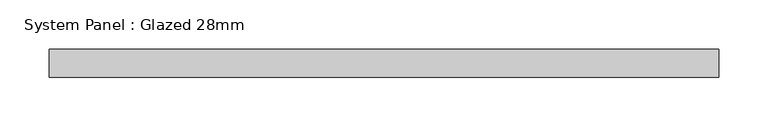
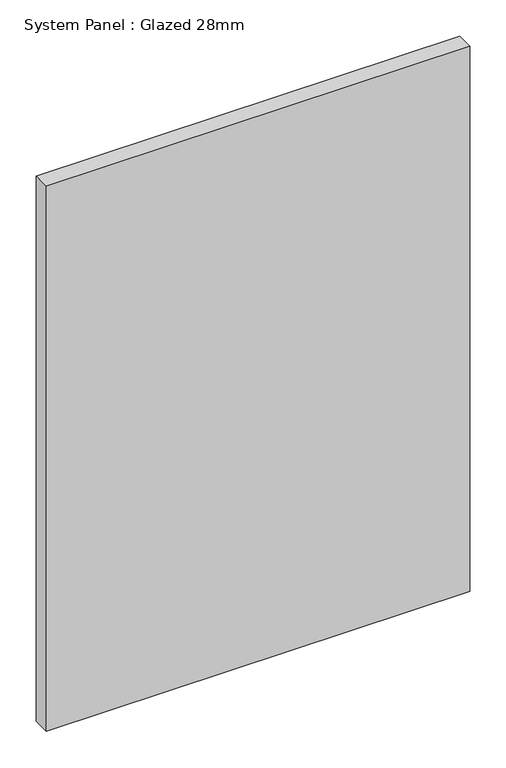
"""IFC4 building model written with IfcOpenShell, lengths in millimetres: plate geometry, System Panel : Glazed 28mm."""

from ifc_helpers import new_model, si_unit, origin, origin_with_axes, place, context, project, spatial, polyline, outline, extrude, source, transform, mapped, element, save


def system_panel_glazed_28mm_ad71332a(model_context):
    return source(origin(), model_context, "Body", "SweptSolid", [
        extrude(outline(polyline([(337.957623, -14.0), (-337.957623, -14.0), (-337.957623, 14.0), (337.957623, 14.0), (337.957623, -14.0)])), origin_with_axes(), (0.0, 0.0, 1.0), 920.6624174),
    ])


if __name__ == "__main__":
    model = new_model("IFC4")
    model_context = context("Model", 3, world=origin())
    ifc_project = project(units=[si_unit("LENGTHUNIT", "METRE", prefix="MILLI")], contexts=[model_context])
    site = spatial("IfcSite", under=ifc_project)
    building = spatial("IfcBuilding", under=site)
    placement = place(None, origin())
    system_panel_glazed_28mm_shape = system_panel_glazed_28mm_ad71332a(model_context)
    element("IfcPlate", 1, ObjectType="System Panel : Glazed 28mm", at=placement, inside=building, context=model_context, shape_type="MappedRepresentation", body=[
        mapped(system_panel_glazed_28mm_shape, transform((0.0, 0.0, 0.0), x_axis=(1.0, 0.0, 0.0), y_axis=(0.0, 1.0, 0.0), z_axis=(0.0, 0.0, 1.0))),
    ])
    save(model, "model.ifc")
